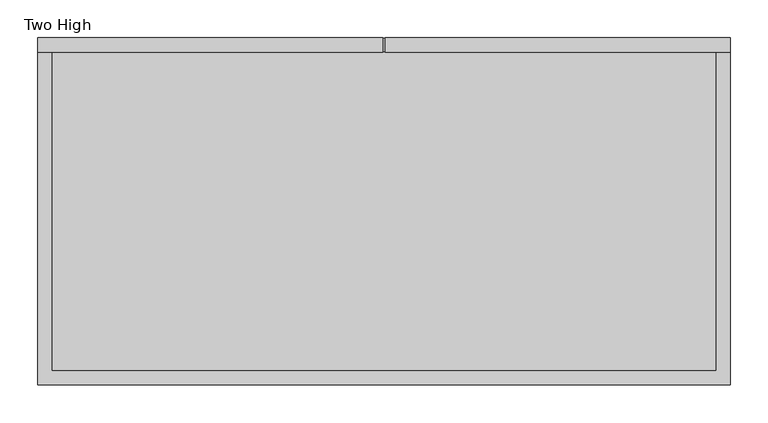
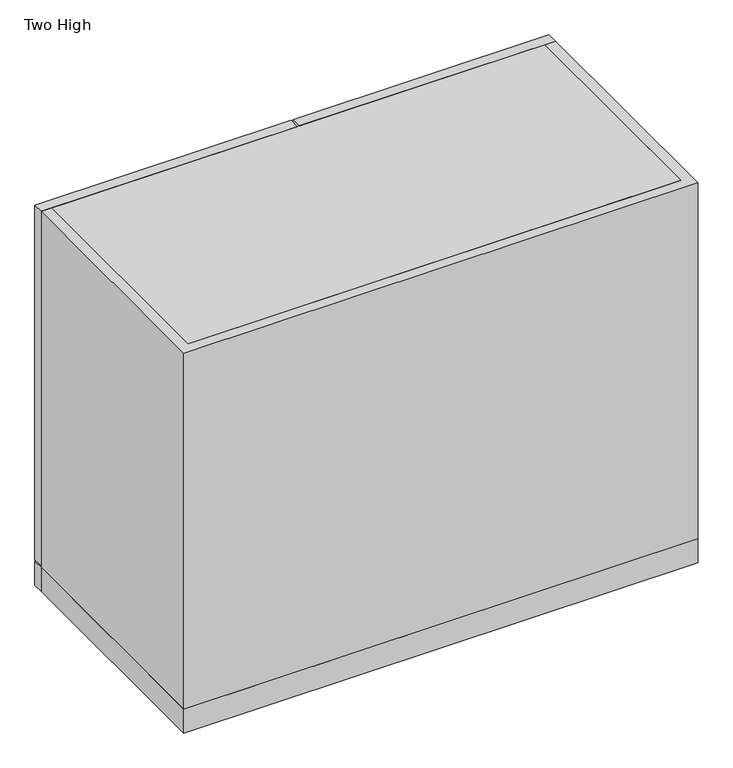
"""IFC4 building model written with IfcOpenShell, lengths in millimetres: furniture geometry, Two High."""

from ifc_helpers import new_model, si_unit, frame, origin, origin_with_axes, place, context, project, spatial, polyline, outline, extrude, source, transform, mapped, element, save


def two_high_7e136f9e(model_context):
    return source(origin(), model_context, "Body", "SweptSolid", [
        extrude(outline(polyline([(-338.1375, 450.85), (39.6875, 450.85), (39.6875, 444.5), (-338.1375, 444.5), (-338.1375, 450.85)])), frame((0.0, 0.0, 85.725), z_axis=(0.0, 0.0, 1.0), x_axis=(1.0, 0.0, 0.0)), (0.0, 0.0, 1.0), 587.375),
        extrude(outline(polyline([(711.2, -376.2375), (47.625, -376.2375), (47.625, 77.7875), (711.2, 77.7875), (711.2, -376.2375)]), holes=[polyline([(673.1, -338.1375), (673.1, 39.6875), (85.725, 39.6875), (85.725, -338.1375), (673.1, -338.1375)])]), frame((0.0, 438.15, 0.0), z_axis=(0.0, 1.0, 0.0), x_axis=(0.0, 0.0, 1.0)), (0.0, 0.0, 1.0), 19.05),
        extrude(outline(polyline([(496.8875, 450.85), (496.8875, 444.5), (119.0625, 444.5), (119.0625, 450.85), (496.8875, 450.85)])), frame((0.0, 0.0, 85.725), z_axis=(0.0, 0.0, 1.0), x_axis=(1.0, 0.0, 0.0)), (0.0, 0.0, 1.0), 587.375),
        extrude(outline(polyline([(711.2, 534.9875), (711.2, 80.9625), (47.625, 80.9625), (47.625, 534.9875), (711.2, 534.9875)]), holes=[polyline([(673.1, 496.8875), (85.725, 496.8875), (85.725, 119.0625), (673.1, 119.0625), (673.1, 496.8875)])]), frame((0.0, 438.15, 0.0), z_axis=(0.0, 1.0, 0.0), x_axis=(0.0, 0.0, 1.0)), (0.0, 0.0, 1.0), 19.05),
        extrude(outline(polyline([(515.9375, 19.05), (-357.1875, 19.05), (-357.1875, 438.15), (515.9375, 438.15), (515.9375, 19.05)])), frame((0.0, 0.0, 369.8875), z_axis=(0.0, 0.0, 1.0), x_axis=(1.0, 0.0, 0.0)), (0.0, 0.0, 1.0), 19.05),
        extrude(outline(polyline([(534.9875, 438.15), (-376.2375, 438.15), (-376.2375, 457.2), (534.9875, 457.2), (534.9875, 438.15)])), origin_with_axes(), (0.0, 0.0, 1.0), 44.45),
        extrude(outline(polyline([(534.9875, 0.0), (-376.2375, 0.0), (-376.2375, 438.15), (534.9875, 438.15), (534.9875, 0.0)])), origin_with_axes(), (0.0, 0.0, 1.0), 44.45),
        extrude(outline(polyline([(515.9375, 19.05), (-357.1875, 19.05), (-357.1875, 438.15), (515.9375, 438.15), (515.9375, 19.05)])), frame((0.0, 0.0, 692.15), z_axis=(0.0, 0.0, 1.0), x_axis=(1.0, 0.0, 0.0)), (0.0, 0.0, 1.0), 19.05),
        extrude(outline(polyline([(534.9875, 0.0), (-376.2375, 0.0), (-376.2375, 438.15), (-357.1875, 438.15), (-357.1875, 19.05), (515.9375, 19.05), (515.9375, 438.15), (534.9875, 438.15), (534.9875, 0.0)])), frame((0.0, 0.0, 44.45), z_axis=(0.0, 0.0, 1.0), x_axis=(1.0, 0.0, 0.0)), (0.0, 0.0, 1.0), 666.75),
    ])


if __name__ == "__main__":
    model = new_model("IFC4")
    model_context = context("Model", 3, world=origin())
    ifc_project = project(units=[si_unit("LENGTHUNIT", "METRE", prefix="MILLI")], contexts=[model_context])
    site = spatial("IfcSite", under=ifc_project)
    building = spatial("IfcBuilding", under=site)
    placement = place(None, origin())
    two_high_shape = two_high_7e136f9e(model_context)
    element("IfcFurniture", 1, ObjectType="Two High", at=placement, inside=building, context=model_context, shape_type="MappedRepresentation", body=[
        mapped(two_high_shape, transform((0.0, 0.0, 0.0), x_axis=(1.0, 0.0, 0.0), y_axis=(0.0, 1.0, 0.0), z_axis=(0.0, 0.0, 1.0))),
    ])
    save(model, "model.ifc")
